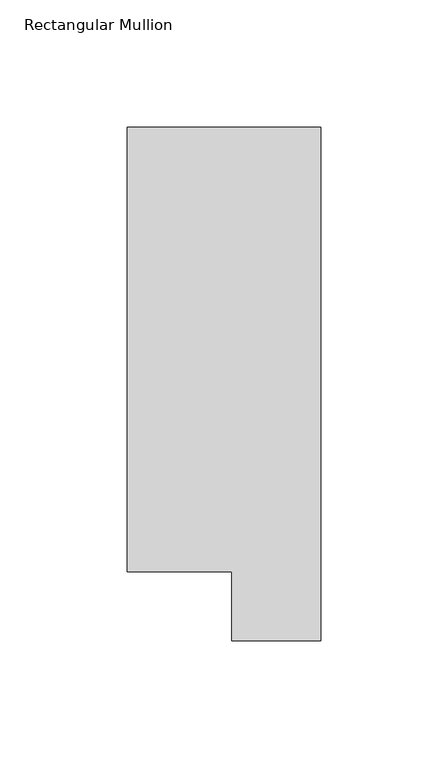
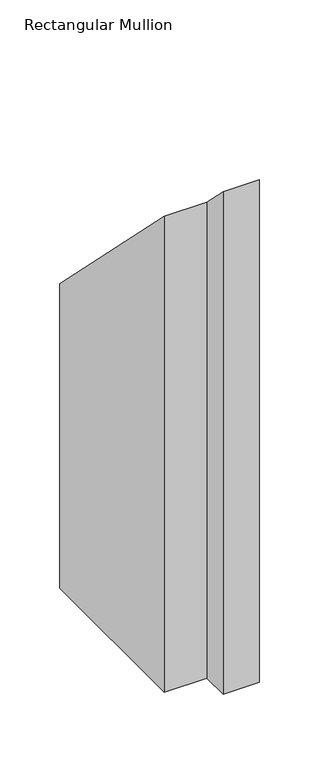
"""IFC4 building model written with IfcOpenShell, lengths in millimetres: member geometry, Rectangular Mullion."""

from ifc_helpers import new_model, si_unit, origin, place, context, project, spatial, faceted_brep, source, transform, mapped, element, save


def rectangular_mullion_3d9e8b95(model_context):
    return source(origin(), model_context, "Body", "Brep", [
        faceted_brep([(0.0, 221.7507313, -533.4), (0.0, 19.5667313, -533.4), (-34.9123, 19.5667313, -533.4), (-34.9123, 46.7447302, -533.4), (-76.2, 46.7447302, -533.4), (-76.2, 221.7507313, -533.4), (-76.2, 221.7507313, -221.7507312), (0.0, 221.7507313, -221.7507312), (-76.2, 46.7447302, -46.7447302), (-34.9123, 46.7447302, -46.7447302), (-34.9123, 19.5667313, -19.5667313), (0.0, 19.5667313, -19.5667313)], [[[0, 1, 2, 3, 4, 5]], [[6, 7, 0, 5]], [[8, 6, 5, 4]], [[9, 8, 4, 3]], [[10, 9, 3, 2]], [[11, 10, 2, 1]], [[7, 11, 1, 0]], [[7, 6, 8, 9, 10, 11]]]),
    ])


if __name__ == "__main__":
    model = new_model("IFC4")
    model_context = context("Model", 3, world=origin())
    ifc_project = project(units=[si_unit("LENGTHUNIT", "METRE", prefix="MILLI")], contexts=[model_context])
    site = spatial("IfcSite", under=ifc_project)
    building = spatial("IfcBuilding", under=site)
    placement = place(None, origin())
    rectangular_mullion_shape = rectangular_mullion_3d9e8b95(model_context)
    element("IfcMember", 1, ObjectType="Rectangular Mullion", at=placement, inside=building, context=model_context, shape_type="MappedRepresentation", body=[
        mapped(rectangular_mullion_shape, transform((0.0, 0.0, 0.0), x_axis=(1.0, 0.0, 0.0), y_axis=(0.0, 1.0, 0.0), z_axis=(0.0, 0.0, 1.0))),
    ])
    save(model, "model.ifc")
